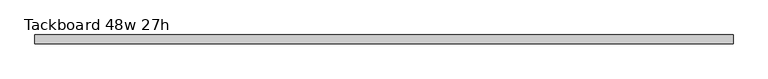
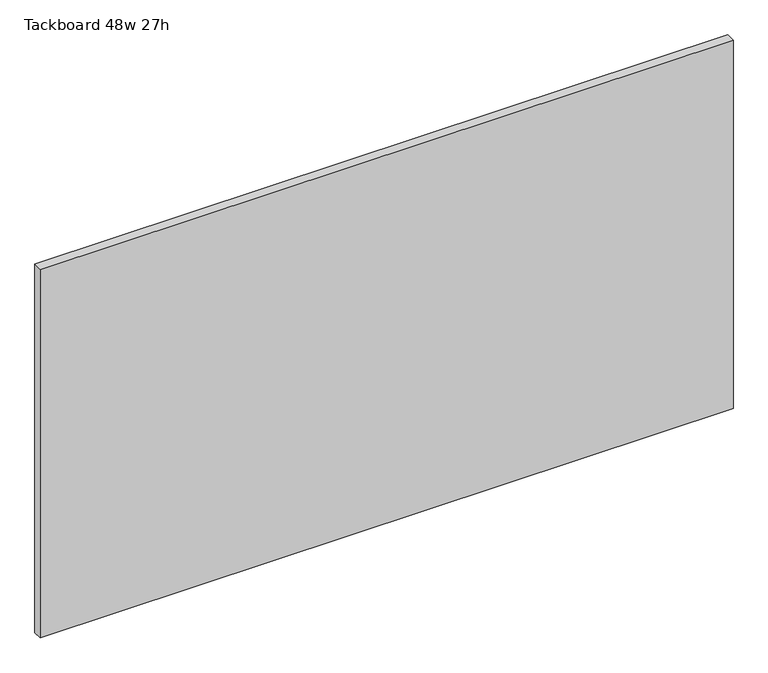
"""IFC4 building model written with IfcOpenShell, lengths in millimetres: furniture geometry, Tackboard 48w 27h."""

from ifc_helpers import new_model, si_unit, frame, origin, place, context, project, spatial, polyline, outline, extrude, source, transform, mapped, element, save


def tackboard_48w_27h_ca0ca809(model_context):
    return source(origin(), model_context, "Body", "SweptSolid", [
        extrude(outline(polyline([(612.0402902, -28.8968594), (-607.1597098, -28.8968594), (-607.1597098, -13.0218594), (612.0402902, -13.0218594), (612.0402902, -28.8968594)])), frame((0.0, 0.0, 1066.8), z_axis=(0.0, 0.0, 1.0), x_axis=(1.0, 0.0, 0.0)), (0.0, 0.0, 1.0), 685.8),
    ])


if __name__ == "__main__":
    model = new_model("IFC4")
    model_context = context("Model", 3, world=origin())
    ifc_project = project(units=[si_unit("LENGTHUNIT", "METRE", prefix="MILLI")], contexts=[model_context])
    site = spatial("IfcSite", under=ifc_project)
    building = spatial("IfcBuilding", under=site)
    placement = place(None, origin())
    tackboard_48w_27h_shape = tackboard_48w_27h_ca0ca809(model_context)
    element("IfcFurniture", 1, ObjectType="Tackboard 48w 27h", at=placement, inside=building, context=model_context, shape_type="MappedRepresentation", body=[
        mapped(tackboard_48w_27h_shape, transform((0.0, 0.0, 0.0), x_axis=(1.0, 0.0, 0.0), y_axis=(0.0, 1.0, 0.0), z_axis=(0.0, 0.0, 1.0))),
    ])
    save(model, "model.ifc")
